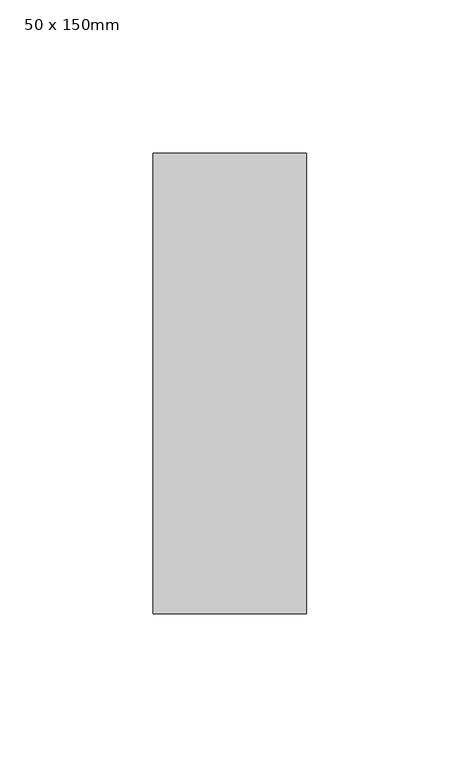
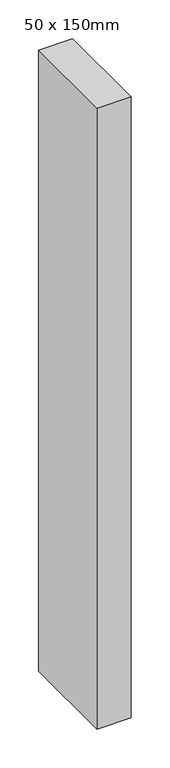
"""IFC4 building model written with IfcOpenShell, lengths in millimetres: member geometry, 50 x 150mm."""

from ifc_helpers import new_model, si_unit, frame, origin, place, context, project, spatial, polyline, outline, extrude, source, transform, mapped, element, save


def member_50_x_150mm_a25b31df(model_context):
    return source(origin(), model_context, "Body", "SweptSolid", [
        extrude(outline(polyline([(25.0, 75.0), (25.0, -75.0), (-25.0, -75.0), (-25.0, 75.0), (25.0, 75.0)])), frame((0.0, 0.0, -973.1338104), z_axis=(0.0, 0.0, 1.0), x_axis=(1.0, 0.0, 0.0)), (0.0, 0.0, 1.0), 973.1338104),
    ])


if __name__ == "__main__":
    model = new_model("IFC4")
    model_context = context("Model", 3, world=origin())
    ifc_project = project(units=[si_unit("LENGTHUNIT", "METRE", prefix="MILLI")], contexts=[model_context])
    site = spatial("IfcSite", under=ifc_project)
    building = spatial("IfcBuilding", under=site)
    placement = place(None, origin())
    member_50_x_150mm_shape = member_50_x_150mm_a25b31df(model_context)
    element("IfcMember", 1, ObjectType="50 x 150mm", at=placement, inside=building, context=model_context, shape_type="MappedRepresentation", body=[
        mapped(member_50_x_150mm_shape, transform((0.0, 0.0, 0.0), x_axis=(1.0, 0.0, 0.0), y_axis=(0.0, 1.0, 0.0), z_axis=(0.0, 0.0, 1.0))),
    ])
    save(model, "model.ifc")
